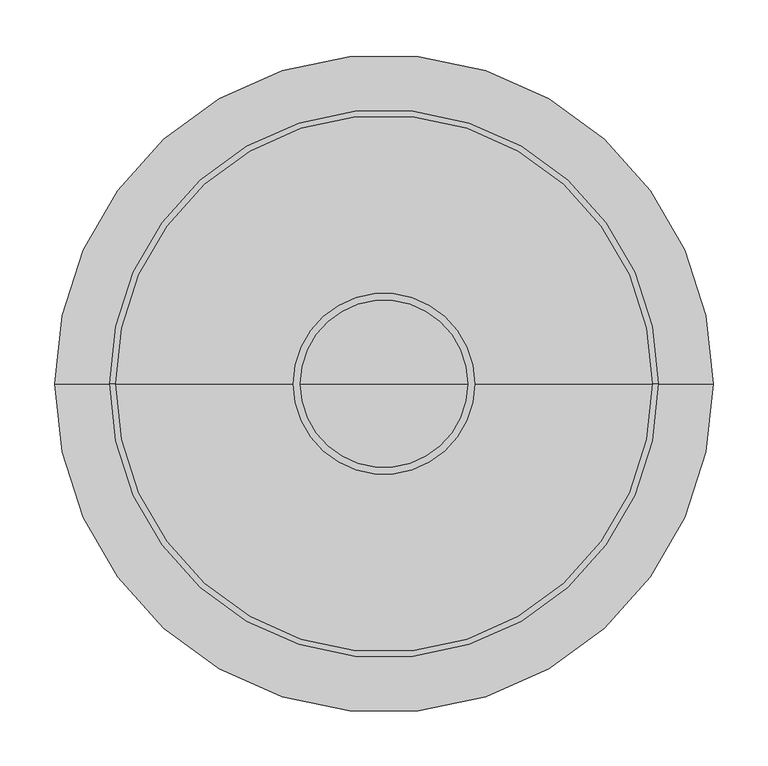
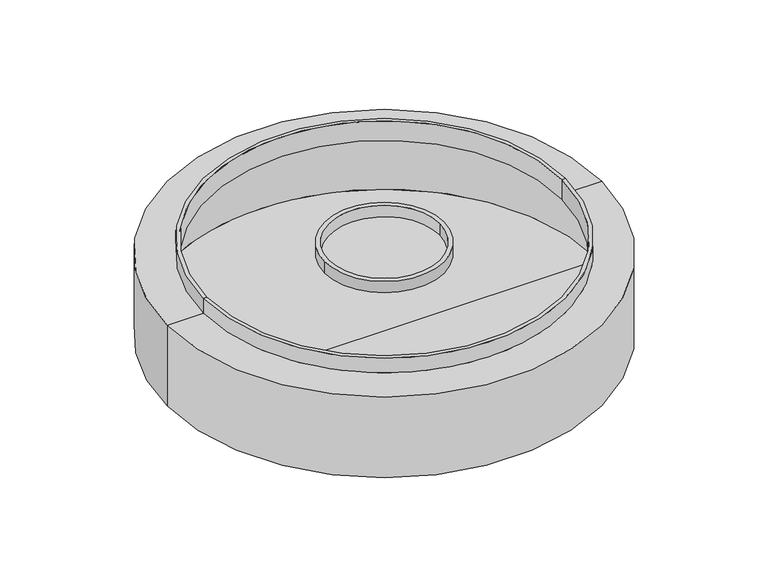
"""IFC4 building model written with IfcOpenShell, lengths in millimetres: light fixture geometry."""

from ifc_helpers import new_model, si_unit, point, frame, origin, origin_2d, place, context, project, spatial, polyline, circle_curve, trimmed, segment, composite_curve, outline, extrude, source, transform, mapped, element, save
from ifc_brep_helpers import plane_surface, cylinder_surface, revolved_surface, advanced_brep


def light_fixture_742e86e8(model_context):
    return source(origin(), model_context, "Body", "SolidModel", [
        extrude(outline(composite_curve([segment(trimmed(circle_curve(origin_2d(), 82.55), [point((-82.55, 0.0))], [point((82.55, 0.0))], False, "CARTESIAN"), True, "CONTINUOUS"), segment(trimmed(circle_curve(origin_2d(), 82.55), [point((82.55, 0.0))], [point((-82.55, 0.0))], False, "CARTESIAN"), True, "CONTINUOUS")], self_intersect=False), holes=[composite_curve([segment(trimmed(circle_curve(origin_2d(), 76.2), [point((-76.2, 0.0))], [point((76.2, 0.0))], True, "CARTESIAN"), True, "CONTINUOUS"), segment(trimmed(circle_curve(origin_2d(), 76.2), [point((76.2, 0.0))], [point((-76.2, 0.0))], True, "CARTESIAN"), True, "CONTINUOUS")], self_intersect=False)]), frame((0.0, 0.0, -21.8712101), z_axis=(0.0, 0.0, 1.0), x_axis=(1.0, 0.0, 0.0)), (0.0, 0.0, 1.0), 16.624798),
        advanced_brep(
        [(300.0, 0.0, -21.8712101), (-300.0, 0.0, -21.8712101), (-250.0, 0.0, -21.8712101), (250.0, 0.0, -21.8712101), (300.0, 0.0, -139.7), (-300.0, 0.0, -139.7), (0.0, 0.0, -139.7), (295.0, 0.0, -134.7), (-295.0, 0.0, -134.7), (0.0, 0.0, -134.7), (295.0, 0.0, -28.575), (-295.0, 0.0, -28.575), (245.0, 0.0, -28.575), (-245.0, 0.0, -28.575), (245.0, 0.0, 0.0), (-245.0, 0.0, 0.0), (250.0, 0.0, 0.0), (-250.0, 0.0, 0.0)],
        [
            (0, 1, circle_curve(frame((0.0, 0.0, -21.8712101), z_axis=(0.0, 0.0, 1.0), x_axis=(-1.0, 0.0, 0.0)), 300.0)),
            (1, 2),
            (2, 3, circle_curve(frame((0.0, 0.0, -21.8712101), z_axis=(0.0, 0.0, -1.0), x_axis=(-1.0, 0.0, 0.0)), 250.0)),
            (3, 0),
            (1, 0, circle_curve(frame((0.0, 0.0, -21.8712101), z_axis=(0.0, 0.0, 1.0), x_axis=(-1.0, 0.0, 0.0)), 300.0)),
            (3, 2, circle_curve(frame((0.0, 0.0, -21.8712101), z_axis=(0.0, 0.0, -1.0), x_axis=(-1.0, 0.0, 0.0)), 250.0)),
            (4, 5, circle_curve(frame((0.0, 0.0, -139.7), z_axis=(0.0, 0.0, 1.0), x_axis=(-1.0, 0.0, 0.0)), 300.0)),
            (5, 1),
            (0, 4),
            (5, 4, circle_curve(frame((0.0, 0.0, -139.7), z_axis=(0.0, 0.0, 1.0), x_axis=(-1.0, 0.0, 0.0)), 300.0)),
            (6, 5),
            (4, 6),
            (7, 8, circle_curve(frame((0.0, 0.0, -134.7), z_axis=(0.0, 0.0, 1.0), x_axis=(-1.0, 0.0, 0.0)), 295.0)),
            (8, 9),
            (9, 7),
            (8, 7, circle_curve(frame((0.0, 0.0, -134.7), z_axis=(0.0, 0.0, 1.0), x_axis=(-1.0, 0.0, 0.0)), 295.0)),
            (10, 11, circle_curve(frame((0.0, 0.0, -28.575), z_axis=(0.0, 0.0, 1.0), x_axis=(-1.0, 0.0, 0.0)), 295.0)),
            (11, 8),
            (7, 10),
            (11, 10, circle_curve(frame((0.0, 0.0, -28.575), z_axis=(0.0, 0.0, 1.0), x_axis=(-1.0, 0.0, 0.0)), 295.0)),
            (12, 13, circle_curve(frame((0.0, 0.0, -28.575), z_axis=(0.0, 0.0, 1.0), x_axis=(-1.0, 0.0, 0.0)), 245.0)),
            (13, 11),
            (10, 12),
            (13, 12, circle_curve(frame((0.0, 0.0, -28.575), z_axis=(0.0, 0.0, 1.0), x_axis=(-1.0, 0.0, 0.0)), 245.0)),
            (14, 15, circle_curve(frame((0.0, 0.0, 0.0), z_axis=(0.0, 0.0, 1.0), x_axis=(-1.0, 0.0, 0.0)), 245.0)),
            (15, 13),
            (12, 14),
            (15, 14, circle_curve(frame((0.0, 0.0, 0.0), z_axis=(0.0, 0.0, 1.0), x_axis=(-1.0, 0.0, 0.0)), 245.0)),
            (16, 17, circle_curve(frame((0.0, 0.0, 0.0), z_axis=(0.0, 0.0, 1.0), x_axis=(-1.0, 0.0, 0.0)), 250.0)),
            (17, 15),
            (14, 16),
            (17, 16, circle_curve(frame((0.0, 0.0, 0.0), z_axis=(0.0, 0.0, 1.0), x_axis=(-1.0, 0.0, 0.0)), 250.0)),
            (2, 17),
            (16, 3),
        ],
        [
            plane_surface(frame((0.0, 0.0, -21.8712101), z_axis=(0.0, 0.0, 1.0), x_axis=(-1.0, 0.0, 0.0))),
            cylinder_surface(frame((0.0, 0.0, 25.4), z_axis=(0.0, 0.0, -1.0), x_axis=(-1.0, 0.0, 0.0)), 300.0),
            plane_surface(frame((0.0, 0.0, -139.7), z_axis=(0.0, 0.0, -1.0), x_axis=(-1.0, 0.0, 0.0))),
            plane_surface(frame((0.0, 0.0, -134.7), z_axis=(0.0, 0.0, 1.0), x_axis=(-1.0, 0.0, 0.0))),
            revolved_surface(polyline([(-295.0, 0.0, -134.7), (-295.0, 0.0, -28.574999999999996)]), (0.0, 0.0, 25.4), (0.0, 0.0, -1.0)),
            plane_surface(frame((0.0, 0.0, -28.575), z_axis=(0.0, 0.0, -1.0), x_axis=(-1.0, 0.0, 0.0))),
            revolved_surface(polyline([(-245.0, 0.0, -28.574999999999996), (-245.0, 0.0, 0.0)]), (0.0, 0.0, 25.4), (0.0, 0.0, -1.0)),
            plane_surface(frame((0.0, 0.0, 0.0), z_axis=(0.0, 0.0, 1.0), x_axis=(-1.0, 0.0, 0.0))),
            cylinder_surface(frame((0.0, 0.0, 25.4), z_axis=(0.0, 0.0, -1.0), x_axis=(-1.0, 0.0, 0.0)), 250.0),
        ],
        [
            (0, [[1, 2, 3, 4]]),
            (0, [[5, -4, 6, -2]]),
            (1, [[7, 8, -1, 9]]),
            (1, [[10, -9, -5, -8]]),
            (2, [[11, -7, 12]]),
            (2, [[-12, -10, -11]]),
            (3, [[13, 14, 15]]),
            (3, [[16, -15, -14]]),
            (4, [[17, 18, -13, 19]]),
            (4, [[20, -19, -16, -18]]),
            (5, [[21, 22, -17, 23]]),
            (5, [[24, -23, -20, -22]]),
            (6, [[25, 26, -21, 27]]),
            (6, [[28, -27, -24, -26]]),
            (7, [[29, 30, -25, 31]]),
            (7, [[32, -31, -28, -30]]),
            (8, [[-3, 33, -29, 34]]),
            (8, [[-6, -34, -32, -33]]),
        ],
    ),
    ])


if __name__ == "__main__":
    model = new_model("IFC4")
    model_context = context("Model", 3, world=origin())
    ifc_project = project(units=[si_unit("LENGTHUNIT", "METRE", prefix="MILLI")], contexts=[model_context])
    site = spatial("IfcSite", under=ifc_project)
    building = spatial("IfcBuilding", under=site)
    placement = place(None, origin())
    light_fixture_shape = light_fixture_742e86e8(model_context)
    element("IfcLightFixture", 1, at=placement, inside=building, context=model_context, shape_type="MappedRepresentation", body=[
        mapped(light_fixture_shape, transform((0.0, 0.0, 0.0), x_axis=(1.0, 0.0, 0.0), y_axis=(0.0, 1.0, 0.0), z_axis=(0.0, 0.0, 1.0))),
    ])
    save(model, "model.ifc")
